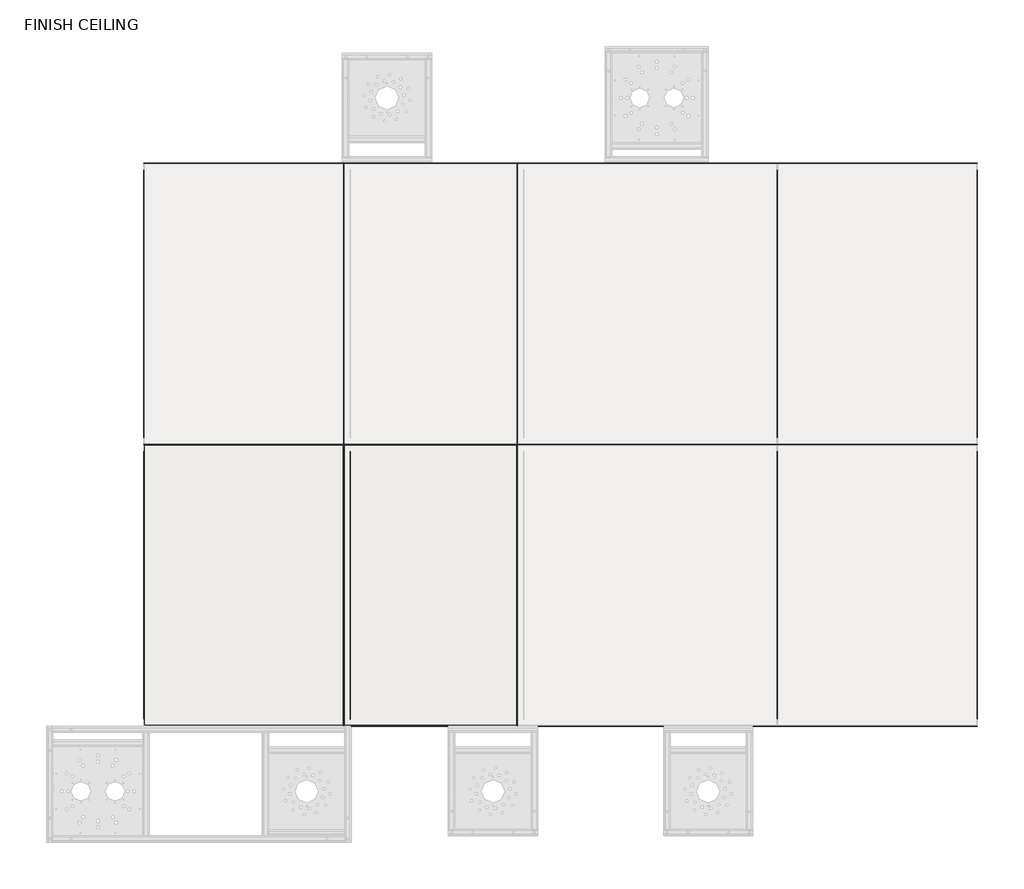
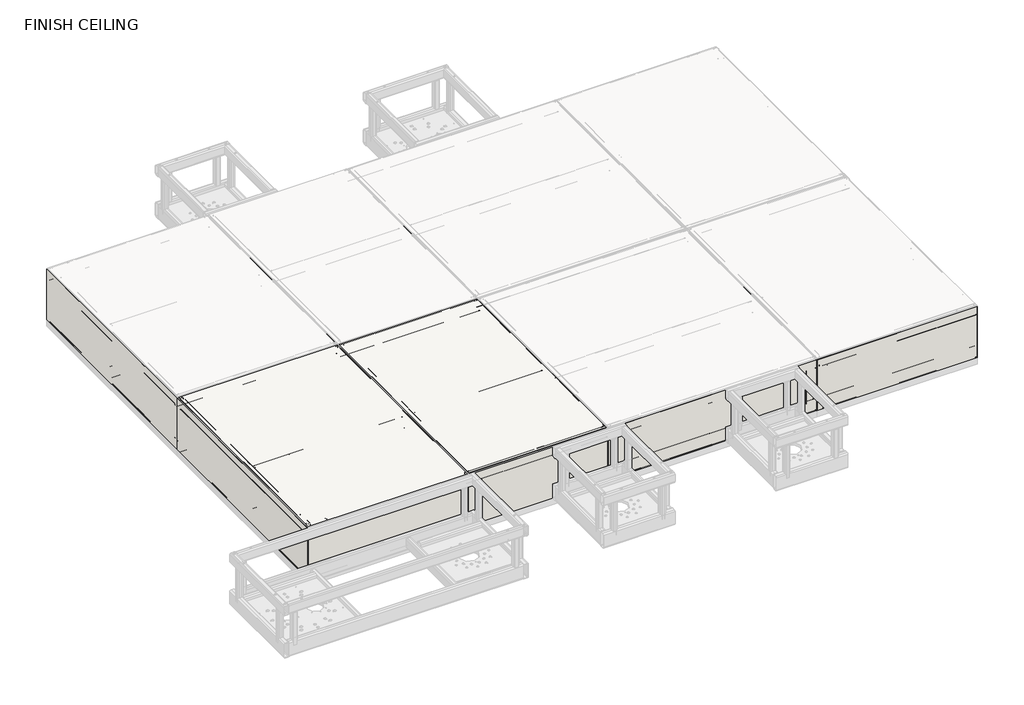
# One storey, part 1 of 16: 40 walls, 16 coverings, 2 roofs.
"""IFC4 building model written with IfcOpenShell, lengths in millimetres."""

from ifc_helpers import new_model, si_unit, frame, origin, place, context, project, spatial, polyline, outline, extrude, faceted_brep, element, save

model = new_model("IFC4")

# Units and contexts
model_context = context("Model", 3, world=origin())
ifc_project = project(units=[si_unit("LENGTHUNIT", "METRE", prefix="MILLI")], contexts=[model_context])

# Site, building, storey
site = spatial("IfcSite", under=ifc_project)
building = spatial("IfcBuilding", under=site)
storey = spatial("IfcBuildingStorey", under=building, Name="FINISH CEILING", Elevation=3048.0)

# Coverings
placement = place(None, origin())
element("IfcCovering", 1, ObjectType="12ga Powder coat", at=placement, inside=storey, context=model_context, shape_type="SweptSolid", body=[
    extrude(outline(polyline([(-3382.5832736, -2161.5400292), (-3382.5832736, -1826.26), (-3270.8230907, -1826.26), (-3270.8230907, -2161.5400292), (-3382.5832736, -2161.5400292)])), frame((0.0, 0.0, 3047.9991793), z_axis=(0.0, 0.0, 1.0), x_axis=(1.0, 0.0, 0.0)), (0.0, 0.0, 1.0), 2.54),
])
element("IfcCovering", 2, ObjectType="12ga Powder coat", at=placement, inside=storey, context=model_context, shape_type="SweptSolid", body=[
    extrude(outline(polyline([(-461.5826843, -2161.5400292), (-461.5826843, -1826.26), (157.3393901, -1826.26), (157.3393901, -2161.5400292), (-461.5826843, -2161.5400292)])), frame((0.0, 0.0, 3047.9991793), z_axis=(0.0, 0.0, 1.0), x_axis=(1.0, 0.0, 0.0)), (0.0, 0.0, 1.0), 2.54),
])
element("IfcCovering", 3, ObjectType="12ga Powder coat", at=placement, inside=storey, context=model_context, shape_type="SweptSolid", body=[
    extrude(outline(polyline([(-461.5826843, -1694.18), (-461.5826843, -1252.2199708), (157.3393901, -1252.2199708), (157.3393901, -1694.18), (-461.5826843, -1694.18)])), frame((0.0, 0.0, 3047.9991793), z_axis=(0.0, 0.0, 1.0), x_axis=(1.0, 0.0, 0.0)), (0.0, 0.0, 1.0), 2.54),
])
element("IfcCovering", 4, ObjectType="12ga Powder coat", at=placement, inside=storey, context=model_context, shape_type="SweptSolid", body=[
    extrude(outline(polyline([(-1147.3819934, -2161.5400292), (-1147.3819934, -1826.26), (-528.459919, -1826.26), (-528.459919, -2161.5400292), (-1147.3819934, -2161.5400292)])), frame((0.0, 0.0, 3047.9991793), z_axis=(0.0, 0.0, 1.0), x_axis=(1.0, 0.0, 0.0)), (0.0, 0.0, 1.0), 2.54),
])
element("IfcCovering", 5, ObjectType="12ga Powder coat", at=placement, inside=storey, context=model_context, shape_type="SweptSolid", body=[
    extrude(outline(polyline([(-1147.3819934, -1694.18), (-1147.3819934, -1252.2199708), (-528.459919, -1252.2199708), (-528.459919, -1694.18), (-1147.3819934, -1694.18)])), frame((0.0, 0.0, 3047.9991793), z_axis=(0.0, 0.0, 1.0), x_axis=(1.0, 0.0, 0.0)), (0.0, 0.0, 1.0), 2.54),
])
element("IfcCovering", 6, ObjectType="12ga Powder coat", at=placement, inside=storey, context=model_context, shape_type="SweptSolid", body=[
    extrude(outline(polyline([(-1833.1828875, -2161.5400292), (-1833.1828875, -1826.26), (-1214.2608131, -1826.26), (-1214.2608131, -2161.5400292), (-1833.1828875, -2161.5400292)])), frame((0.0, 0.0, 3047.9991793), z_axis=(0.0, 0.0, 1.0), x_axis=(1.0, 0.0, 0.0)), (0.0, 0.0, 1.0), 2.54),
])
element("IfcCovering", 7, ObjectType="12ga Powder coat", at=placement, inside=storey, context=model_context, shape_type="SweptSolid", body=[
    extrude(outline(polyline([(-1833.1828875, -1694.18), (-1833.1828875, -1252.2199708), (-1214.2608131, -1252.2199708), (-1214.2608131, -1694.18), (-1833.1828875, -1694.18)])), frame((0.0, 0.0, 3047.9991793), z_axis=(0.0, 0.0, 1.0), x_axis=(1.0, 0.0, 0.0)), (0.0, 0.0, 1.0), 2.54),
])
element("IfcCovering", 8, ObjectType="12ga Powder coat", at=placement, inside=storey, context=model_context, shape_type="SweptSolid", body=[
    extrude(outline(polyline([(-2518.9829891, -2161.5400292), (-2518.9829891, -1826.26), (-1900.0609147, -1826.26), (-1900.0609147, -2161.5400292), (-2518.9829891, -2161.5400292)])), frame((0.0, 0.0, 3047.9991793), z_axis=(0.0, 0.0, 1.0), x_axis=(1.0, 0.0, 0.0)), (0.0, 0.0, 1.0), 2.54),
])
element("IfcCovering", 9, ObjectType="12ga Powder coat", at=placement, inside=storey, context=model_context, shape_type="SweptSolid", body=[
    extrude(outline(polyline([(-2518.9829891, -1694.18), (-2518.9829891, -1252.2199708), (-1900.0609147, -1252.2199708), (-1900.0609147, -1694.18), (-2518.9829891, -1694.18)])), frame((0.0, 0.0, 3047.9991793), z_axis=(0.0, 0.0, 1.0), x_axis=(1.0, 0.0, 0.0)), (0.0, 0.0, 1.0), 2.54),
])
element("IfcCovering", 10, ObjectType="12ga Powder coat", at=placement, inside=storey, context=model_context, shape_type="SweptSolid", body=[
    extrude(outline(polyline([(-3204.7830907, -2161.5400292), (-3204.7830907, -1826.26), (-3019.9980907, -1826.26), (-3019.9980907, -2161.5400292), (-3204.7830907, -2161.5400292)])), frame((0.0, 0.0, 3047.9991793), z_axis=(0.0, 0.0, 1.0), x_axis=(1.0, 0.0, 0.0)), (0.0, 0.0, 1.0), 2.54),
])
element("IfcCovering", 11, ObjectType="12ga Powder coat", at=placement, inside=storey, context=model_context, shape_type="SweptSolid", body=[
    extrude(outline(polyline([(-3204.7830907, -1694.18), (-3204.7830907, -1252.2199708), (-3019.9980907, -1252.2199708), (-3019.9980907, -1694.18), (-3204.7830907, -1694.18)])), frame((0.0, 0.0, 3047.9991793), z_axis=(0.0, 0.0, 1.0), x_axis=(1.0, 0.0, 0.0)), (0.0, 0.0, 1.0), 2.54),
])
element("IfcCovering", 12, ObjectType="12ga Powder coat", at=placement, inside=storey, context=model_context, shape_type="SweptSolid", body=[
    extrude(outline(polyline([(-3382.5819934, -2161.5400292), (-3382.5819934, -1826.26), (-3270.8230907, -1826.26), (-3270.8230907, -2161.5400292), (-3382.5819934, -2161.5400292)])), frame((0.0, 0.0, 3047.9991793), z_axis=(0.0, 0.0, 1.0), x_axis=(1.0, 0.0, 0.0)), (0.0, 0.0, 1.0), 2.54),
])
element("IfcCovering", 13, ObjectType="12ga Powder coat", at=placement, inside=storey, context=model_context, shape_type="SweptSolid", body=[
    extrude(outline(polyline([(-3382.5819934, -1694.18), (-3382.5819934, -1252.2199708), (-3270.8230907, -1252.2199708), (-3270.8230907, -1694.18), (-3382.5819934, -1694.18)])), frame((0.0, 0.0, 3047.9991793), z_axis=(0.0, 0.0, 1.0), x_axis=(1.0, 0.0, 0.0)), (0.0, 0.0, 1.0), 2.54),
])
element("IfcCovering", 14, ObjectType="12ga Powder coat", at=placement, inside=storey, context=model_context, shape_type="SweptSolid", body=[
    extrude(outline(polyline([(-3382.5819934, -1186.1799708), (-3382.5819934, -33.02), (-3270.8218105, -33.02), (-3270.8218105, -1186.1799708), (-3382.5819934, -1186.1799708)])), frame((0.0, 0.0, 3047.9991793), z_axis=(0.0, 0.0, 1.0), x_axis=(1.0, 0.0, 0.0)), (0.0, 0.0, 1.0), 2.54),
])
element("IfcCovering", 15, ObjectType="12ga Powder coat", at=placement, inside=storey, context=model_context, shape_type="SweptSolid", body=[
    extrude(outline(polyline([(-2953.9580907, -2161.5400292), (-2953.9580907, -1826.26), (-2585.0229891, -1826.26), (-2585.0229891, -2161.5400292), (-2953.9580907, -2161.5400292)])), frame((0.0, 0.0, 3047.9991793), z_axis=(0.0, 0.0, 1.0), x_axis=(1.0, 0.0, 0.0)), (0.0, 0.0, 1.0), 2.54),
])
element("IfcCovering", 16, ObjectType="12ga Powder coat", at=placement, inside=storey, context=model_context, shape_type="SweptSolid", body=[
    extrude(outline(polyline([(-2953.9580907, -1694.18), (-2953.9580907, -1252.2199708), (-2585.0229891, -1252.2199708), (-2585.0229891, -1694.18), (-2953.9580907, -1694.18)])), frame((0.0, 0.0, 3047.9991793), z_axis=(0.0, 0.0, 1.0), x_axis=(1.0, 0.0, 0.0)), (0.0, 0.0, 1.0), 2.54),
])

# Roofs
element("IfcRoof", 17, ObjectType="CS Plenum Roof", at=placement, inside=storey, context=model_context, shape_type="SweptSolid", body=[
    extrude(outline(polyline([(-3439.6049934, -2218.5630292), (-3439.6049934, -9.017), (-1875.2198875, -9.017), (-1875.2198875, -2218.5630292), (-3439.6049934, -2218.5630292)])), frame((0.0, 0.0, 3656.1014), z_axis=(0.0, 0.0, 1.0), x_axis=(1.0, 0.0, 0.0)), (0.0, 0.0, 1.0), 1.4986),
])
element("IfcRoof", 18, ObjectType="CS Plenum Roof", at=placement, inside=storey, context=model_context, shape_type="SweptSolid", body=[
    extrude(outline(polyline([(-1857.1858875, -2218.5630292), (-1857.1858875, -9.017), (-503.6196843, -9.017), (-503.6196843, -2218.5630292), (-1857.1858875, -2218.5630292)])), frame((0.0, 0.0, 3656.1014), z_axis=(0.0, 0.0, 1.0), x_axis=(1.0, 0.0, 0.0)), (0.0, 0.0, 1.0), 1.4986),
])

# Walls
element("IfcWall", 19, ObjectType="CS Plenum Wall", at=placement, inside=storey, context=model_context, shape_type="Brep", body=[
    faceted_brep([(-3445.9600734, 0.00508, 3116.2625), (-3445.9600734, 2.66192, 3116.2625), (-3445.9600734, 2224.91808, 3116.2625), (-3445.9600734, 2227.57492, 3116.2625), (-3445.9600734, 2227.57492, 3644.9), (-3445.9600734, 2224.91808, 3644.9), (-3445.9600734, 2.66192, 3644.9), (-3445.9600734, 0.00508, 3644.9), (-3448.6169134, 0.00508, 3116.2625), (-3448.6169134, 0.00508, 3644.9), (-3448.6169134, 2227.57492, 3644.9), (-3448.6169134, 2227.57492, 3116.2625)], [[[0, 1, 2, 3, 4, 5, 6, 7]], [[8, 9, 10, 11]], [[3, 2, 1, 0, 8, 11]], [[7, 6, 5, 4, 10, 9]], [[4, 3, 11, 10]], [[0, 7, 9, 8]]]),
])
element("IfcWall", 20, ObjectType="CS Plenum Wall", at=placement, inside=storey, context=model_context, shape_type="Brep", body=[
    faceted_brep([(-3445.9600734, 2224.91808, 3116.2625), (-1868.8648075, 2224.91808, 3116.2625), (-1866.2079675, 2224.91808, 3116.2625), (-1866.2079675, 2224.91808, 3644.9), (-1868.8648075, 2224.91808, 3644.9), (-3445.9600734, 2224.91808, 3644.9), (-3445.9600734, 2227.57492, 3116.2625), (-3445.9600734, 2227.57492, 3644.9), (-1866.2079675, 2227.57492, 3644.9), (-1866.2079675, 2227.57492, 3116.2625)], [[[0, 1, 2, 3, 4, 5]], [[6, 7, 8, 9]], [[2, 1, 0, 6, 9]], [[5, 4, 3, 8, 7]], [[0, 5, 7, 6]], [[3, 2, 9, 8]]]),
])
element("IfcWall", 21, ObjectType="CS Plenum Wall", at=placement, inside=storey, context=model_context, shape_type="Brep", body=[
    faceted_brep([(-1868.8648075, 2224.91808, 3116.2625), (-1868.8648075, 2.66192, 3116.2625), (-1868.8648075, 0.00508, 3116.2625), (-1868.8648075, 0.00508, 3644.9), (-1868.8648075, 2.66192, 3644.9), (-1868.8648075, 2224.91808, 3644.9), (-1868.8648075, 1094.613, 3533.1339993), (-1868.8648075, 180.213, 3533.1339993), (-1868.8648075, 180.213, 3228.3339993), (-1868.8648075, 1094.613, 3228.3339993), (-1866.2079675, 0.00508, 3116.2625), (-1866.2079675, 2224.91808, 3116.2625), (-1866.2079675, 2224.91808, 3644.9), (-1866.2079675, 0.00508, 3644.9), (-1866.2079675, 180.213, 3533.1339993), (-1866.2079675, 1094.613, 3533.1339993), (-1866.2079675, 1094.613, 3228.3339993), (-1866.2079675, 180.213, 3228.3339993)], [[[0, 1, 2, 3, 4, 5], [6, 7, 8, 9]], [[10, 11, 12, 13], [14, 15, 16, 17]], [[2, 1, 0, 11, 10]], [[5, 4, 3, 13, 12]], [[0, 5, 12, 11]], [[3, 2, 10, 13]], [[6, 15, 14, 7]], [[7, 14, 17, 8]], [[8, 17, 16, 9]], [[15, 6, 9, 16]]]),
])
element("IfcWall", 22, ObjectType="CS Plenum Wall", at=placement, inside=storey, context=model_context, shape_type="SweptSolid", body=[
    extrude(outline(polyline([(3116.2625, -3445.9600734), (3116.2625, -1868.8648075), (3644.9, -1868.8648075), (3644.9, -3445.9600734), (3116.2625, -3445.9600734)]), holes=[polyline([(3531.6266547, -3265.8552903), (3531.6266547, -2046.6552903), (3226.8266547, -2046.6552903), (3226.8266547, -3265.8552903), (3531.6266547, -3265.8552903)])]), frame((0.0, 0.00508, 0.0), z_axis=(0.0, 1.0, 0.0), x_axis=(0.0, 0.0, 1.0)), (0.0, 0.0, 1.0), 2.65684),
])
element("IfcWall", 23, ObjectType="CS Plenum Wall", at=placement, inside=storey, context=model_context, shape_type="Brep", body=[
    faceted_brep([(-1863.5409675, 0.00508, 3116.2625), (-1863.5409675, 2.66192, 3116.2625), (-1863.5409675, 2224.91808, 3116.2625), (-1863.5409675, 2227.57492, 3116.2625), (-1863.5409675, 2227.57492, 3644.9), (-1863.5409675, 2224.91808, 3644.9), (-1863.5409675, 2.66192, 3644.9), (-1863.5409675, 0.00508, 3644.9), (-1863.5409675, 180.213, 3533.1339993), (-1863.5409675, 1094.613, 3533.1339993), (-1863.5409675, 1094.613, 3228.3339993), (-1863.5409675, 180.213, 3228.3339993), (-1866.1978075, 2227.57492, 3116.2625), (-1866.1978075, 0.00508, 3116.2625), (-1866.1978075, 0.00508, 3644.9), (-1866.1978075, 2227.57492, 3644.9), (-1866.1978075, 1094.613, 3533.1339993), (-1866.1978075, 180.213, 3533.1339993), (-1866.1978075, 180.213, 3228.3339993), (-1866.1978075, 1094.613, 3228.3339993)], [[[0, 1, 2, 3, 4, 5, 6, 7], [8, 9, 10, 11]], [[12, 13, 14, 15], [16, 17, 18, 19]], [[3, 2, 1, 0, 13, 12]], [[7, 6, 5, 4, 15, 14]], [[4, 3, 12, 15]], [[0, 7, 14, 13]], [[16, 9, 8, 17]], [[17, 8, 11, 18]], [[18, 11, 10, 19]], [[9, 16, 19, 10]]]),
])
element("IfcWall", 24, ObjectType="CS Plenum Wall", at=placement, inside=storey, context=model_context, shape_type="Brep", body=[
    faceted_brep([(-1863.5409675, 2224.91808, 3116.2625), (-497.2646043, 2224.91808, 3116.2625), (-494.6077643, 2224.91808, 3116.2625), (-494.6077643, 2224.91808, 3644.9), (-497.2646043, 2224.91808, 3644.9), (-1863.5409675, 2224.91808, 3644.9), (-1863.5409675, 2227.57492, 3116.2625), (-1863.5409675, 2227.57492, 3644.9), (-494.6077643, 2227.57492, 3644.9), (-494.6077643, 2227.57492, 3116.2625)], [[[0, 1, 2, 3, 4, 5]], [[6, 7, 8, 9]], [[2, 1, 0, 6, 9]], [[5, 4, 3, 8, 7]], [[0, 5, 7, 6]], [[3, 2, 9, 8]]]),
])
element("IfcWall", 25, ObjectType="CS Plenum Wall", at=placement, inside=storey, context=model_context, shape_type="Brep", body=[
    faceted_brep([(-497.2646043, 2224.91808, 3116.2625), (-497.2646043, 2.66192, 3116.2625), (-497.2646043, 0.00508, 3116.2625), (-497.2646043, 0.00508, 3644.9), (-497.2646043, 2.66192, 3644.9), (-497.2646043, 2224.91808, 3644.9), (-497.2646043, 1088.263, 3529.5207727), (-497.2646043, 173.863, 3529.5207727), (-497.2646043, 173.863, 3224.7207727), (-497.2646043, 1088.263, 3224.7207727), (-494.6077643, 0.00508, 3116.2625), (-494.6077643, 2224.91808, 3116.2625), (-494.6077643, 2224.91808, 3644.9), (-494.6077643, 0.00508, 3644.9), (-494.6077643, 173.863, 3529.5207727), (-494.6077643, 1088.263, 3529.5207727), (-494.6077643, 1088.263, 3224.7207727), (-494.6077643, 173.863, 3224.7207727)], [[[0, 1, 2, 3, 4, 5], [6, 7, 8, 9]], [[10, 11, 12, 13], [14, 15, 16, 17]], [[2, 1, 0, 11, 10]], [[5, 4, 3, 13, 12]], [[0, 5, 12, 11]], [[3, 2, 10, 13]], [[6, 15, 14, 7]], [[7, 14, 17, 8]], [[8, 17, 16, 9]], [[15, 6, 9, 16]]]),
])
element("IfcWall", 26, ObjectType="CS Plenum Wall", at=placement, inside=storey, context=model_context, shape_type="SweptSolid", body=[
    extrude(outline(polyline([(3116.2625, -1863.5409675), (3116.2625, -497.2646043), (3644.9, -497.2646043), (3644.9, -1863.5409675), (3116.2625, -1863.5409675)]), holes=[polyline([(3524.7291137, -1640.2550871), (3524.7291137, -725.8550871), (3219.9291137, -725.8550871), (3219.9291137, -1640.2550871), (3524.7291137, -1640.2550871)])]), frame((0.0, 0.00508, 0.0), z_axis=(0.0, 1.0, 0.0), x_axis=(0.0, 0.0, 1.0)), (0.0, 0.0, 1.0), 2.65684),
])
element("IfcWall", 27, ObjectType="CS Plenum Wall", at=placement, inside=storey, context=model_context, shape_type="Brep", body=[
    faceted_brep([(-491.9407643, 0.00508, 3116.2625), (-491.9407643, 2.66192, 3116.2625), (-491.9407643, 2224.91808, 3116.2625), (-491.9407643, 2227.57492, 3116.2625), (-491.9407643, 2227.57492, 3644.9), (-491.9407643, 2224.91808, 3644.9), (-491.9407643, 2.66192, 3644.9), (-491.9407643, 0.00508, 3644.9), (-491.9407643, 173.863, 3529.5207727), (-491.9407643, 1088.263, 3529.5207727), (-491.9407643, 1088.263, 3224.7207727), (-491.9407643, 173.863, 3224.7207727), (-494.5976043, 2227.57492, 3116.2625), (-494.5976043, 0.00508, 3116.2625), (-494.5976043, 0.00508, 3644.9), (-494.5976043, 2227.57492, 3644.9), (-494.5976043, 1088.263, 3529.5207727), (-494.5976043, 173.863, 3529.5207727), (-494.5976043, 173.863, 3224.7207727), (-494.5976043, 1088.263, 3224.7207727)], [[[0, 1, 2, 3, 4, 5, 6, 7], [8, 9, 10, 11]], [[12, 13, 14, 15], [16, 17, 18, 19]], [[3, 2, 1, 0, 13, 12]], [[7, 6, 5, 4, 15, 14]], [[4, 3, 12, 15]], [[0, 7, 14, 13]], [[16, 9, 8, 17]], [[17, 8, 11, 18]], [[18, 11, 10, 19]], [[9, 16, 19, 10]]]),
])
element("IfcWall", 28, ObjectType="CS Plenum Wall", at=placement, inside=storey, context=model_context, shape_type="Brep", body=[
    faceted_brep([(-491.9407643, 2224.91808, 3116.2625), (1560.1357005, 2224.91808, 3116.2625), (1562.7925405, 2224.91808, 3116.2625), (1562.7925405, 2224.91808, 3644.9), (1560.1357005, 2224.91808, 3644.9), (-491.9407643, 2224.91808, 3644.9), (-491.9407643, 2227.57492, 3116.2625), (-491.9407643, 2227.57492, 3644.9), (1562.7925405, 2227.57492, 3644.9), (1562.7925405, 2227.57492, 3116.2625)], [[[0, 1, 2, 3, 4, 5]], [[6, 7, 8, 9]], [[2, 1, 0, 6, 9]], [[5, 4, 3, 8, 7]], [[0, 5, 7, 6]], [[3, 2, 9, 8]]]),
])
element("IfcWall", 29, ObjectType="CS Plenum Wall", at=placement, inside=storey, context=model_context, shape_type="Brep", body=[
    faceted_brep([(1560.1357005, 2224.91808, 3116.2625), (1560.1357005, 2.66192, 3116.2625), (1560.1357005, 0.00508, 3116.2625), (1560.1357005, 0.00508, 3644.9), (1560.1357005, 2.66192, 3644.9), (1560.1357005, 2224.91808, 3644.9), (1560.1357005, 1094.613, 3526.0406777), (1560.1357005, 180.213, 3526.0406777), (1560.1357005, 180.213, 3221.2406777), (1560.1357005, 1094.613, 3221.2406777), (1562.7925405, 0.00508, 3116.2625), (1562.7925405, 2224.91808, 3116.2625), (1562.7925405, 2224.91808, 3644.9), (1562.7925405, 0.00508, 3644.9), (1562.7925405, 180.213, 3526.0406777), (1562.7925405, 1094.613, 3526.0406777), (1562.7925405, 1094.613, 3221.2406777), (1562.7925405, 180.213, 3221.2406777)], [[[0, 1, 2, 3, 4, 5], [6, 7, 8, 9]], [[10, 11, 12, 13], [14, 15, 16, 17]], [[2, 1, 0, 11, 10]], [[5, 4, 3, 13, 12]], [[0, 5, 12, 11]], [[3, 2, 10, 13]], [[6, 15, 14, 7]], [[7, 14, 17, 8]], [[8, 17, 16, 9]], [[15, 6, 9, 16]]]),
])
element("IfcWall", 30, ObjectType="CS Plenum Wall", at=placement, inside=storey, context=model_context, shape_type="SweptSolid", body=[
    extrude(outline(polyline([(3116.2625, -491.9407643), (3116.2625, 1560.1357005), (3644.9, 1560.1357005), (3644.9, -491.9407643), (3116.2625, -491.9407643)]), holes=[polyline([(3536.0755686, -243.2547823), (3536.0755686, 1280.7452177), (3231.2755686, 1280.7452177), (3231.2755686, -243.2547823), (3536.0755686, -243.2547823)])]), frame((0.0, 0.00508, 0.0), z_axis=(0.0, 1.0, 0.0), x_axis=(0.0, 0.0, 1.0)), (0.0, 0.0, 1.0), 2.65684),
])
element("IfcWall", 31, ObjectType="CS Plenum Wall", at=placement, inside=storey, context=model_context, shape_type="Brep", body=[
    faceted_brep([(1565.4595405, 0.00508, 3116.2625), (1565.4595405, 2.66192, 3116.2625), (1565.4595405, 2224.91808, 3116.2625), (1565.4595405, 2227.57492, 3116.2625), (1565.4595405, 2227.57492, 3644.9), (1565.4595405, 2224.91808, 3644.9), (1565.4595405, 2.66192, 3644.9), (1565.4595405, 0.00508, 3644.9), (1565.4595405, 180.213, 3526.0406777), (1565.4595405, 1094.613, 3526.0406777), (1565.4595405, 1094.613, 3221.2406777), (1565.4595405, 180.213, 3221.2406777), (1562.8027005, 2227.57492, 3116.2625), (1562.8027005, 0.00508, 3116.2625), (1562.8027005, 0.00508, 3644.9), (1562.8027005, 2227.57492, 3644.9), (1562.8027005, 1094.613, 3526.0406777), (1562.8027005, 180.213, 3526.0406777), (1562.8027005, 180.213, 3221.2406777), (1562.8027005, 1094.613, 3221.2406777)], [[[0, 1, 2, 3, 4, 5, 6, 7], [8, 9, 10, 11]], [[12, 13, 14, 15], [16, 17, 18, 19]], [[3, 2, 1, 0, 13, 12]], [[7, 6, 5, 4, 15, 14]], [[4, 3, 12, 15]], [[0, 7, 14, 13]], [[16, 9, 8, 17]], [[17, 8, 11, 18]], [[18, 11, 10, 19]], [[9, 16, 19, 10]]]),
])
element("IfcWall", 32, ObjectType="CS Plenum Wall", at=placement, inside=storey, context=model_context, shape_type="Brep", body=[
    faceted_brep([(1565.4595405, 2224.91808, 3116.2625), (3142.5560866, 2224.91808, 3116.2625), (3145.2129266, 2224.91808, 3116.2625), (3145.2129266, 2224.91808, 3644.9), (3142.5560866, 2224.91808, 3644.9), (1565.4595405, 2224.91808, 3644.9), (1565.4595405, 2227.57492, 3116.2625), (1565.4595405, 2227.57492, 3644.9), (3145.2129266, 2227.57492, 3644.9), (3145.2129266, 2227.57492, 3116.2625)], [[[0, 1, 2, 3, 4, 5]], [[6, 7, 8, 9]], [[2, 1, 0, 6, 9]], [[5, 4, 3, 8, 7]], [[0, 5, 7, 6]], [[3, 2, 9, 8]]]),
])
element("IfcWall", 33, ObjectType="CS Plenum Wall", at=placement, inside=storey, context=model_context, shape_type="Brep", body=[
    faceted_brep([(3142.5560866, 2224.91808, 3116.2625), (3142.5560866, 2.66192, 3116.2625), (3142.5560866, 0.00508, 3116.2625), (3142.5560866, 0.00508, 3644.9), (3142.5560866, 2.66192, 3644.9), (3142.5560866, 2224.91808, 3644.9), (3142.5560866, 180.213, 3214.3128217), (3142.5560866, 1094.613, 3214.3128217), (3142.5560866, 1094.613, 3519.1128217), (3142.5560866, 180.213, 3519.1128217), (3145.2129266, 0.00508, 3116.2625), (3145.2129266, 2224.91808, 3116.2625), (3145.2129266, 2224.91808, 3644.9), (3145.2129266, 0.00508, 3644.9), (3145.2129266, 1094.613, 3214.3128217), (3145.2129266, 180.213, 3214.3128217), (3145.2129266, 180.213, 3519.1128217), (3145.2129266, 1094.613, 3519.1128217)], [[[0, 1, 2, 3, 4, 5], [6, 7, 8, 9]], [[10, 11, 12, 13], [14, 15, 16, 17]], [[2, 1, 0, 11, 10]], [[5, 4, 3, 13, 12]], [[0, 5, 12, 11]], [[3, 2, 10, 13]], [[6, 15, 14, 7]], [[15, 6, 9, 16]], [[16, 9, 8, 17]], [[17, 8, 7, 14]]]),
])
element("IfcWall", 34, ObjectType="CS Plenum Wall", at=placement, inside=storey, context=model_context, shape_type="SweptSolid", body=[
    extrude(outline(polyline([(3116.2625, 1565.4595405), (3116.2625, 3142.5560866), (3644.9, 3142.5560866), (3644.9, 1565.4595405), (3116.2625, 1565.4595405)]), holes=[polyline([(3522.2804866, 1745.4406916), (3522.2804866, 2964.6406916), (3217.4804866, 2964.6406916), (3217.4804866, 1745.4406916), (3522.2804866, 1745.4406916)])]), frame((0.0, 0.00508, 0.0), z_axis=(0.0, 1.0, 0.0), x_axis=(0.0, 0.0, 1.0)), (0.0, 0.0, 1.0), 2.65684),
])
element("IfcWall", 35, ObjectType="CS Plenum Wall", at=placement, inside=storey, context=model_context, shape_type="Brep", body=[
    faceted_brep([(-3445.9600734, -2227.5749492, 3116.2625), (-3445.9600734, -2224.9181092, 3116.2625), (-3445.9600734, -2.66192, 3116.2625), (-3445.9600734, -0.00508, 3116.2625), (-3445.9600734, -0.00508, 3644.9), (-3445.9600734, -2.66192, 3644.9), (-3445.9600734, -2224.9181092, 3644.9), (-3445.9600734, -2227.5749492, 3644.9), (-3448.6169134, -2227.5749492, 3116.2625), (-3448.6169134, -2227.5749492, 3644.9), (-3448.6169134, -0.00508, 3644.9), (-3448.6169134, -0.00508, 3116.2625)], [[[0, 1, 2, 3, 4, 5, 6, 7]], [[8, 9, 10, 11]], [[3, 2, 1, 0, 8, 11]], [[7, 6, 5, 4, 10, 9]], [[4, 3, 11, 10]], [[0, 7, 9, 8]]]),
])
element("IfcWall", 36, ObjectType="CS Plenum Wall", at=placement, inside=storey, context=model_context, shape_type="Brep", body=[
    faceted_brep([(-3445.9600734, -2.66192, 3116.2625), (-1868.8648075, -2.66192, 3116.2625), (-1866.2079675, -2.66192, 3116.2625), (-1866.2079675, -2.66192, 3644.9), (-1868.8648075, -2.66192, 3644.9), (-3445.9600734, -2.66192, 3644.9), (-3265.8552903, -2.66192, 3531.6266547), (-2046.6552903, -2.66192, 3531.6266547), (-2046.6552903, -2.66192, 3226.8266547), (-3265.8552903, -2.66192, 3226.8266547), (-1866.2079675, -0.00508, 3116.2625), (-3445.9600734, -0.00508, 3116.2625), (-3445.9600734, -0.00508, 3644.9), (-1866.2079675, -0.00508, 3644.9), (-2046.6552903, -0.00508, 3531.6266547), (-3265.8552903, -0.00508, 3531.6266547), (-3265.8552903, -0.00508, 3226.8266547), (-2046.6552903, -0.00508, 3226.8266547)], [[[0, 1, 2, 3, 4, 5], [6, 7, 8, 9]], [[10, 11, 12, 13], [14, 15, 16, 17]], [[2, 1, 0, 11, 10]], [[5, 4, 3, 13, 12]], [[0, 5, 12, 11]], [[3, 2, 10, 13]], [[14, 7, 6, 15]], [[15, 6, 9, 16]], [[16, 9, 8, 17]], [[7, 14, 17, 8]]]),
])
element("IfcWall", 37, ObjectType="CS Plenum Wall", at=placement, inside=storey, context=model_context, shape_type="Brep", body=[
    faceted_brep([(-1868.8648075, -2.66192, 3116.2625), (-1868.8648075, -2224.9181092, 3116.2625), (-1868.8648075, -2227.5749492, 3116.2625), (-1868.8648075, -2227.5749492, 3644.9), (-1868.8648075, -2224.9181092, 3644.9), (-1868.8648075, -2.66192, 3644.9), (-1868.8648075, -193.167, 3533.9962096), (-1868.8648075, -1107.567, 3533.9962096), (-1868.8648075, -1107.567, 3229.1962096), (-1868.8648075, -193.167, 3229.1962096), (-1866.2079675, -2227.5749492, 3116.2625), (-1866.2079675, -2.66192, 3116.2625), (-1866.2079675, -2.66192, 3644.9), (-1866.2079675, -2227.5749492, 3644.9), (-1866.2079675, -1107.567, 3533.9962096), (-1866.2079675, -193.167, 3533.9962096), (-1866.2079675, -193.167, 3229.1962096), (-1866.2079675, -1107.567, 3229.1962096)], [[[0, 1, 2, 3, 4, 5], [6, 7, 8, 9]], [[10, 11, 12, 13], [14, 15, 16, 17]], [[2, 1, 0, 11, 10]], [[5, 4, 3, 13, 12]], [[0, 5, 12, 11]], [[3, 2, 10, 13]], [[6, 15, 14, 7]], [[7, 14, 17, 8]], [[8, 17, 16, 9]], [[15, 6, 9, 16]]]),
])
element("IfcWall", 38, ObjectType="CS Plenum Wall", at=placement, inside=storey, context=model_context, shape_type="SweptSolid", body=[
    extrude(outline(polyline([(-3445.9600734, -2224.9181092), (-1868.8648075, -2224.9181092), (-1868.8648075, -2227.5749492), (-3445.9600734, -2227.5749492), (-3445.9600734, -2224.9181092)])), frame((0.0, 0.0, 3116.2625), z_axis=(0.0, 0.0, 1.0), x_axis=(1.0, 0.0, 0.0)), (0.0, 0.0, 1.0), 528.6375),
])
element("IfcWall", 39, ObjectType="CS Plenum Wall", at=placement, inside=storey, context=model_context, shape_type="Brep", body=[
    faceted_brep([(-1863.5409675, -2227.5749492, 3116.2625), (-1863.5409675, -2224.9181092, 3116.2625), (-1863.5409675, -2.66192, 3116.2625), (-1863.5409675, -0.00508, 3116.2625), (-1863.5409675, -0.00508, 3644.9), (-1863.5409675, -2.66192, 3644.9), (-1863.5409675, -2224.9181092, 3644.9), (-1863.5409675, -2227.5749492, 3644.9), (-1863.5409675, -1107.567, 3533.9962096), (-1863.5409675, -193.167, 3533.9962096), (-1863.5409675, -193.167, 3229.1962096), (-1863.5409675, -1107.567, 3229.1962096), (-1866.1978075, -0.00508, 3116.2625), (-1866.1978075, -2227.5749492, 3116.2625), (-1866.1978075, -2227.5749492, 3644.9), (-1866.1978075, -0.00508, 3644.9), (-1866.1978075, -193.167, 3533.9962096), (-1866.1978075, -1107.567, 3533.9962096), (-1866.1978075, -1107.567, 3229.1962096), (-1866.1978075, -193.167, 3229.1962096)], [[[0, 1, 2, 3, 4, 5, 6, 7], [8, 9, 10, 11]], [[12, 13, 14, 15], [16, 17, 18, 19]], [[3, 2, 1, 0, 13, 12]], [[7, 6, 5, 4, 15, 14]], [[4, 3, 12, 15]], [[0, 7, 14, 13]], [[16, 9, 8, 17]], [[17, 8, 11, 18]], [[18, 11, 10, 19]], [[9, 16, 19, 10]]]),
])
element("IfcWall", 40, ObjectType="CS Plenum Wall", at=placement, inside=storey, context=model_context, shape_type="Brep", body=[
    faceted_brep([(-1863.5409675, -2.66192, 3116.2625), (-497.2646043, -2.66192, 3116.2625), (-494.6077643, -2.66192, 3116.2625), (-494.6077643, -2.66192, 3644.9), (-497.2646043, -2.66192, 3644.9), (-1863.5409675, -2.66192, 3644.9), (-1640.2550871, -2.66192, 3524.7291137), (-725.8550871, -2.66192, 3524.7291137), (-725.8550871, -2.66192, 3219.9291137), (-1640.2550871, -2.66192, 3219.9291137), (-494.6077643, -0.00508, 3116.2625), (-1863.5409675, -0.00508, 3116.2625), (-1863.5409675, -0.00508, 3644.9), (-494.6077643, -0.00508, 3644.9), (-725.8550871, -0.00508, 3524.7291137), (-1640.2550871, -0.00508, 3524.7291137), (-1640.2550871, -0.00508, 3219.9291137), (-725.8550871, -0.00508, 3219.9291137)], [[[0, 1, 2, 3, 4, 5], [6, 7, 8, 9]], [[10, 11, 12, 13], [14, 15, 16, 17]], [[2, 1, 0, 11, 10]], [[5, 4, 3, 13, 12]], [[0, 5, 12, 11]], [[3, 2, 10, 13]], [[14, 7, 6, 15]], [[15, 6, 9, 16]], [[16, 9, 8, 17]], [[7, 14, 17, 8]]]),
])
element("IfcWall", 41, ObjectType="CS Plenum Wall", at=placement, inside=storey, context=model_context, shape_type="Brep", body=[
    faceted_brep([(-497.2646043, -2.66192, 3116.2625), (-497.2646043, -2224.9181092, 3116.2625), (-497.2646043, -2227.5749492, 3116.2625), (-497.2646043, -2227.5749492, 3644.9), (-497.2646043, -2224.9181092, 3644.9), (-497.2646043, -2.66192, 3644.9), (-497.2646043, -180.467, 3530.382983), (-497.2646043, -1094.867, 3530.382983), (-497.2646043, -1094.867, 3225.582983), (-497.2646043, -180.467, 3225.582983), (-494.6077643, -2227.5749492, 3116.2625), (-494.6077643, -2.66192, 3116.2625), (-494.6077643, -2.66192, 3644.9), (-494.6077643, -2227.5749492, 3644.9), (-494.6077643, -1094.867, 3530.382983), (-494.6077643, -180.467, 3530.382983), (-494.6077643, -180.467, 3225.582983), (-494.6077643, -1094.867, 3225.582983)], [[[0, 1, 2, 3, 4, 5], [6, 7, 8, 9]], [[10, 11, 12, 13], [14, 15, 16, 17]], [[2, 1, 0, 11, 10]], [[5, 4, 3, 13, 12]], [[0, 5, 12, 11]], [[3, 2, 10, 13]], [[6, 15, 14, 7]], [[7, 14, 17, 8]], [[8, 17, 16, 9]], [[15, 6, 9, 16]]]),
])
element("IfcWall", 42, ObjectType="CS Plenum Wall", at=placement, inside=storey, context=model_context, shape_type="SweptSolid", body=[
    extrude(outline(polyline([(-1863.5409675, -2224.9181092), (-497.2646043, -2224.9181092), (-497.2646043, -2227.5749492), (-1863.5409675, -2227.5749492), (-1863.5409675, -2224.9181092)])), frame((0.0, 0.0, 3116.2625), z_axis=(0.0, 0.0, 1.0), x_axis=(1.0, 0.0, 0.0)), (0.0, 0.0, 1.0), 528.6375),
])
element("IfcWall", 43, ObjectType="CS Plenum Wall", at=placement, inside=storey, context=model_context, shape_type="Brep", body=[
    faceted_brep([(-491.9407643, -2227.5749492, 3116.2625), (-491.9407643, -2224.9181092, 3116.2625), (-491.9407643, -2.66192, 3116.2625), (-491.9407643, -0.00508, 3116.2625), (-491.9407643, -0.00508, 3644.9), (-491.9407643, -2.66192, 3644.9), (-491.9407643, -2224.9181092, 3644.9), (-491.9407643, -2227.5749492, 3644.9), (-491.9407643, -1094.867, 3530.382983), (-491.9407643, -180.467, 3530.382983), (-491.9407643, -180.467, 3225.582983), (-491.9407643, -1094.867, 3225.582983), (-494.5976043, -0.00508, 3116.2625), (-494.5976043, -2227.5749492, 3116.2625), (-494.5976043, -2227.5749492, 3644.9), (-494.5976043, -0.00508, 3644.9), (-494.5976043, -180.467, 3530.382983), (-494.5976043, -1094.867, 3530.382983), (-494.5976043, -1094.867, 3225.582983), (-494.5976043, -180.467, 3225.582983)], [[[0, 1, 2, 3, 4, 5, 6, 7], [8, 9, 10, 11]], [[12, 13, 14, 15], [16, 17, 18, 19]], [[3, 2, 1, 0, 13, 12]], [[7, 6, 5, 4, 15, 14]], [[4, 3, 12, 15]], [[0, 7, 14, 13]], [[16, 9, 8, 17]], [[17, 8, 11, 18]], [[18, 11, 10, 19]], [[9, 16, 19, 10]]]),
])
element("IfcWall", 44, ObjectType="CS Plenum Wall", at=placement, inside=storey, context=model_context, shape_type="Brep", body=[
    faceted_brep([(-491.9407643, -2.66192, 3116.2625), (1560.1357005, -2.66192, 3116.2625), (1562.7925405, -2.66192, 3116.2625), (1562.7925405, -2.66192, 3644.9), (1560.1357005, -2.66192, 3644.9), (-491.9407643, -2.66192, 3644.9), (-243.2547823, -2.66192, 3536.0755686), (1280.7452177, -2.66192, 3536.0755686), (1280.7452177, -2.66192, 3231.2755686), (-243.2547823, -2.66192, 3231.2755686), (1562.7925405, -0.00508, 3116.2625), (-491.9407643, -0.00508, 3116.2625), (-491.9407643, -0.00508, 3644.9), (1562.7925405, -0.00508, 3644.9), (1280.7452177, -0.00508, 3536.0755686), (-243.2547823, -0.00508, 3536.0755686), (-243.2547823, -0.00508, 3231.2755686), (1280.7452177, -0.00508, 3231.2755686)], [[[0, 1, 2, 3, 4, 5], [6, 7, 8, 9]], [[10, 11, 12, 13], [14, 15, 16, 17]], [[2, 1, 0, 11, 10]], [[5, 4, 3, 13, 12]], [[0, 5, 12, 11]], [[3, 2, 10, 13]], [[14, 7, 6, 15]], [[15, 6, 9, 16]], [[16, 9, 8, 17]], [[7, 14, 17, 8]]]),
])
element("IfcWall", 45, ObjectType="CS Plenum Wall", at=placement, inside=storey, context=model_context, shape_type="Brep", body=[
    faceted_brep([(1560.1357005, -2.66192, 3116.2625), (1560.1357005, -2224.9181092, 3116.2625), (1560.1357005, -2227.5749492, 3116.2625), (1560.1357005, -2227.5749492, 3644.9), (1560.1357005, -2224.9181092, 3644.9), (1560.1357005, -2.66192, 3644.9), (1560.1357005, -193.167, 3528.1957472), (1560.1357005, -1107.567, 3528.1957472), (1560.1357005, -1107.567, 3223.3957472), (1560.1357005, -193.167, 3223.3957472), (1562.7925405, -2227.5749492, 3116.2625), (1562.7925405, -2.66192, 3116.2625), (1562.7925405, -2.66192, 3644.9), (1562.7925405, -2227.5749492, 3644.9), (1562.7925405, -1107.567, 3528.1957472), (1562.7925405, -193.167, 3528.1957472), (1562.7925405, -193.167, 3223.3957472), (1562.7925405, -1107.567, 3223.3957472)], [[[0, 1, 2, 3, 4, 5], [6, 7, 8, 9]], [[10, 11, 12, 13], [14, 15, 16, 17]], [[2, 1, 0, 11, 10]], [[5, 4, 3, 13, 12]], [[0, 5, 12, 11]], [[3, 2, 10, 13]], [[6, 15, 14, 7]], [[7, 14, 17, 8]], [[8, 17, 16, 9]], [[15, 6, 9, 16]]]),
])
element("IfcWall", 46, ObjectType="CS Plenum Wall", at=placement, inside=storey, context=model_context, shape_type="SweptSolid", body=[
    extrude(outline(polyline([(-491.9407643, -2224.9181092), (1560.1357005, -2224.9181092), (1560.1357005, -2227.5749492), (-491.9407643, -2227.5749492), (-491.9407643, -2224.9181092)])), frame((0.0, 0.0, 3116.2625), z_axis=(0.0, 0.0, 1.0), x_axis=(1.0, 0.0, 0.0)), (0.0, 0.0, 1.0), 528.6375),
])
element("IfcWall", 47, ObjectType="CS Plenum Wall", at=placement, inside=storey, context=model_context, shape_type="Brep", body=[
    faceted_brep([(1565.4595405, -2227.5749492, 3116.2625), (1565.4595405, -2224.9181092, 3116.2625), (1565.4595405, -2.66192, 3116.2625), (1565.4595405, -0.00508, 3116.2625), (1565.4595405, -0.00508, 3644.9), (1565.4595405, -2.66192, 3644.9), (1565.4595405, -2224.9181092, 3644.9), (1565.4595405, -2227.5749492, 3644.9), (1565.4595405, -1107.567, 3528.1957472), (1565.4595405, -193.167, 3528.1957472), (1565.4595405, -193.167, 3223.3957472), (1565.4595405, -1107.567, 3223.3957472), (1562.8027005, -0.00508, 3116.2625), (1562.8027005, -2227.5749492, 3116.2625), (1562.8027005, -2227.5749492, 3644.9), (1562.8027005, -0.00508, 3644.9), (1562.8027005, -193.167, 3528.1957472), (1562.8027005, -1107.567, 3528.1957472), (1562.8027005, -1107.567, 3223.3957472), (1562.8027005, -193.167, 3223.3957472)], [[[0, 1, 2, 3, 4, 5, 6, 7], [8, 9, 10, 11]], [[12, 13, 14, 15], [16, 17, 18, 19]], [[3, 2, 1, 0, 13, 12]], [[7, 6, 5, 4, 15, 14]], [[4, 3, 12, 15]], [[0, 7, 14, 13]], [[16, 9, 8, 17]], [[17, 8, 11, 18]], [[18, 11, 10, 19]], [[9, 16, 19, 10]]]),
])
element("IfcWall", 48, ObjectType="CS Plenum Wall", at=placement, inside=storey, context=model_context, shape_type="Brep", body=[
    faceted_brep([(1565.4595405, -2.66192, 3116.2625), (3142.5560866, -2.66192, 3116.2625), (3145.2129266, -2.66192, 3116.2625), (3145.2129266, -2.66192, 3644.9), (3142.5560866, -2.66192, 3644.9), (1565.4595405, -2.66192, 3644.9), (1745.4406916, -2.66192, 3522.2804866), (2964.6406916, -2.66192, 3522.2804866), (2964.6406916, -2.66192, 3217.4804866), (1745.4406916, -2.66192, 3217.4804866), (3145.2129266, -0.00508, 3116.2625), (1565.4595405, -0.00508, 3116.2625), (1565.4595405, -0.00508, 3644.9), (3145.2129266, -0.00508, 3644.9), (2964.6406916, -0.00508, 3522.2804866), (1745.4406916, -0.00508, 3522.2804866), (1745.4406916, -0.00508, 3217.4804866), (2964.6406916, -0.00508, 3217.4804866)], [[[0, 1, 2, 3, 4, 5], [6, 7, 8, 9]], [[10, 11, 12, 13], [14, 15, 16, 17]], [[2, 1, 0, 11, 10]], [[5, 4, 3, 13, 12]], [[0, 5, 12, 11]], [[3, 2, 10, 13]], [[14, 7, 6, 15]], [[15, 6, 9, 16]], [[16, 9, 8, 17]], [[7, 14, 17, 8]]]),
])
element("IfcWall", 49, ObjectType="CS Plenum Wall", at=placement, inside=storey, context=model_context, shape_type="Brep", body=[
    faceted_brep([(3142.5560866, -2.66192, 3116.2625), (3142.5560866, -2224.9181092, 3116.2625), (3142.5560866, -2227.5749492, 3116.2625), (3142.5560866, -2227.5749492, 3644.9), (3142.5560866, -2224.9181092, 3644.9), (3142.5560866, -2.66192, 3644.9), (3142.5560866, -1117.6, 3225.7998644), (3142.5560866, -203.2, 3225.7998644), (3142.5560866, -203.2, 3530.5998644), (3142.5560866, -1117.6, 3530.5998644), (3145.2129266, -2227.5749492, 3116.2625), (3145.2129266, -2.66192, 3116.2625), (3145.2129266, -2.66192, 3644.9), (3145.2129266, -2227.5749492, 3644.9), (3145.2129266, -203.2, 3225.7998644), (3145.2129266, -1117.6, 3225.7998644), (3145.2129266, -1117.6, 3530.5998644), (3145.2129266, -203.2, 3530.5998644)], [[[0, 1, 2, 3, 4, 5], [6, 7, 8, 9]], [[10, 11, 12, 13], [14, 15, 16, 17]], [[2, 1, 0, 11, 10]], [[5, 4, 3, 13, 12]], [[0, 5, 12, 11]], [[3, 2, 10, 13]], [[6, 15, 14, 7]], [[15, 6, 9, 16]], [[16, 9, 8, 17]], [[17, 8, 7, 14]]]),
])
element("IfcWall", 50, ObjectType="CS Plenum Wall", at=placement, inside=storey, context=model_context, shape_type="SweptSolid", body=[
    extrude(outline(polyline([(1565.4595405, -2224.9181092), (3142.5560866, -2224.9181092), (3142.5560866, -2227.5749492), (1565.4595405, -2227.5749492), (1565.4595405, -2224.9181092)])), frame((0.0, 0.0, 3116.2625), z_axis=(0.0, 0.0, 1.0), x_axis=(1.0, 0.0, 0.0)), (0.0, 0.0, 1.0), 528.6375),
])
element("IfcWall", 51, ObjectType="CS Plenum Wall", at=placement, inside=storey, context=model_context, shape_type="SweptSolid", body=[
    extrude(outline(polyline([(-3396.3454297, 1247.2670292), (-1919.6552903, 1247.2670292), (-1919.6552903, 1244.6101892), (-3396.3454297, 1244.6101892), (-3396.3454297, 1247.2670292)])), frame((0.0, 0.0, 3116.2625), z_axis=(0.0, 0.0, 1.0), x_axis=(1.0, 0.0, 0.0)), (0.0, 0.0, 1.0), 528.6375),
])
element("IfcWall", 52, ObjectType="CS Plenum Wall", at=placement, inside=storey, context=model_context, shape_type="SweptSolid", body=[
    extrude(outline(polyline([(-1813.9263238, 1247.2670292), (-548.0550871, 1247.2670292), (-548.0550871, 1244.6101892), (-1813.9263238, 1244.6101892), (-1813.9263238, 1247.2670292)])), frame((0.0, 0.0, 3116.2625), z_axis=(0.0, 0.0, 1.0), x_axis=(1.0, 0.0, 0.0)), (0.0, 0.0, 1.0), 528.6375),
])
element("IfcWall", 53, ObjectType="CS Plenum Wall", at=placement, inside=storey, context=model_context, shape_type="SweptSolid", body=[
    extrude(outline(polyline([(-442.3261206, 1247.2670292), (1509.3452177, 1247.2670292), (1509.3452177, 1244.6101892), (-442.3261206, 1244.6101892), (-442.3261206, 1247.2670292)])), frame((0.0, 0.0, 3116.2625), z_axis=(0.0, 0.0, 1.0), x_axis=(1.0, 0.0, 0.0)), (0.0, 0.0, 1.0), 528.6375),
])
element("IfcWall", 54, ObjectType="CS Plenum Wall", at=placement, inside=storey, context=model_context, shape_type="SweptSolid", body=[
    extrude(outline(polyline([(1615.0741842, 1247.2670292), (3091.6406916, 1247.2670292), (3091.6406916, 1244.6101892), (1615.0741842, 1244.6101892), (1615.0741842, 1247.2670292)])), frame((0.0, 0.0, 3116.2625), z_axis=(0.0, 0.0, 1.0), x_axis=(1.0, 0.0, 0.0)), (0.0, 0.0, 1.0), 528.6375),
])
element("IfcWall", 55, ObjectType="CS Plenum Wall", at=placement, inside=storey, context=model_context, shape_type="SweptSolid", body=[
    extrude(outline(polyline([(-3396.3454297, -1244.7153642), (-1919.6552903, -1244.7153642), (-1919.6552903, -1247.3722042), (-3396.3454297, -1247.3722042), (-3396.3454297, -1244.7153642)])), frame((0.0, 0.0, 3116.2625), z_axis=(0.0, 0.0, 1.0), x_axis=(1.0, 0.0, 0.0)), (0.0, 0.0, 1.0), 528.6375),
])
element("IfcWall", 56, ObjectType="CS Plenum Wall", at=placement, inside=storey, context=model_context, shape_type="SweptSolid", body=[
    extrude(outline(polyline([(-1813.9263238, -1244.7153642), (-548.0550871, -1244.7153642), (-548.0550871, -1247.3722042), (-1813.9263238, -1247.3722042), (-1813.9263238, -1244.7153642)])), frame((0.0, 0.0, 3116.2625), z_axis=(0.0, 0.0, 1.0), x_axis=(1.0, 0.0, 0.0)), (0.0, 0.0, 1.0), 528.6375),
])
element("IfcWall", 57, ObjectType="CS Plenum Wall", at=placement, inside=storey, context=model_context, shape_type="SweptSolid", body=[
    extrude(outline(polyline([(-442.3261206, -1244.7153642), (1509.3452177, -1244.7153642), (1509.3452177, -1247.3722042), (-442.3261206, -1247.3722042), (-442.3261206, -1244.7153642)])), frame((0.0, 0.0, 3116.2625), z_axis=(0.0, 0.0, 1.0), x_axis=(1.0, 0.0, 0.0)), (0.0, 0.0, 1.0), 528.6375),
])
element("IfcWall", 58, ObjectType="CS Plenum Wall", at=placement, inside=storey, context=model_context, shape_type="SweptSolid", body=[
    extrude(outline(polyline([(1615.0741842, -1244.7153642), (3091.6406916, -1244.7153642), (3091.6406916, -1247.3722042), (1615.0741842, -1247.3722042), (1615.0741842, -1244.7153642)])), frame((0.0, 0.0, 3116.2625), z_axis=(0.0, 0.0, 1.0), x_axis=(1.0, 0.0, 0.0)), (0.0, 0.0, 1.0), 528.6375),
])

save(model, "model.ifc")
